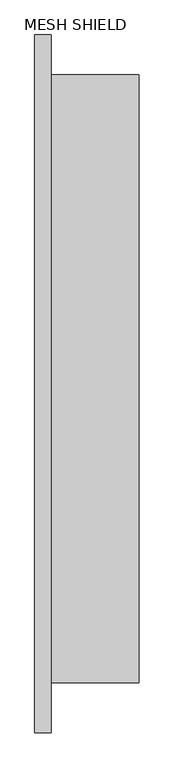
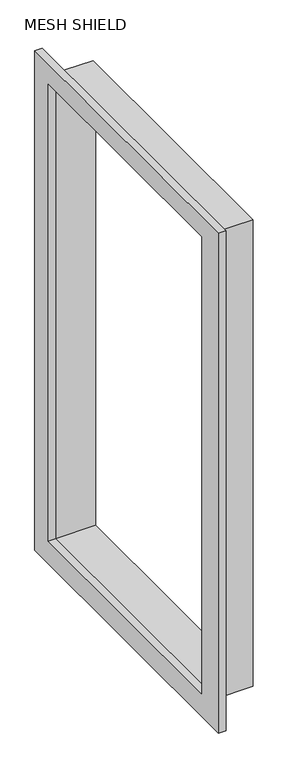
"""IFC4 building model written with IfcOpenShell, lengths in millimetres: proxy geometry, MESH SHIELD."""

from ifc_helpers import new_model, si_unit, frame, origin, place, context, project, spatial, polyline, outline, extrude, source, transform, mapped, element, save


def mesh_shield_9b3ec450(model_context):
    return source(origin(), model_context, "Body", "SweptSolid", [
        extrude(outline(polyline([(-1034.0807946, -71.0696277), (-1034.0807946, 1910.1303723), (159.7192054, 1910.1303723), (159.7192054, -71.0696277), (-1034.0807946, -71.0696277)]), holes=[polyline([(73.931258, 1828.9834146), (-923.1730561, 1828.9834146), (-923.1730561, 18.3036356), (73.931258, 18.3036356), (73.931258, 1828.9834146)])]), frame((-102.9590454, 0.0, 0.0), z_axis=(1.0, 0.0, 0.0), x_axis=(0.0, 1.0, 0.0)), (0.0, 0.0, 1.0), 28.3284075),
        extrude(outline(polyline([(91.3029439, 0.0), (-948.5730561, 0.0), (-948.5730561, 1849.882), (91.3029439, 1849.882), (91.3029439, 0.0)]), holes=[polyline([(73.931258, 1828.9834146), (-923.1730561, 1828.9834146), (-923.1730561, 18.3036356), (73.931258, 18.3036356), (73.931258, 1828.9834146)])]), frame((-74.6306378, 0.0, 0.0), z_axis=(1.0, 0.0, 0.0), x_axis=(0.0, 1.0, 0.0)), (0.0, 0.0, 1.0), 150.114),
    ])


if __name__ == "__main__":
    model = new_model("IFC4")
    model_context = context("Model", 3, world=origin())
    ifc_project = project(units=[si_unit("LENGTHUNIT", "METRE", prefix="MILLI")], contexts=[model_context])
    site = spatial("IfcSite", under=ifc_project)
    building = spatial("IfcBuilding", under=site)
    placement = place(None, origin())
    mesh_shield_shape = mesh_shield_9b3ec450(model_context)
    element("IfcBuildingElementProxy", 1, Name="MESH SHIELD", ObjectType="MESH SHIELD", at=placement, inside=building, context=model_context, shape_type="MappedRepresentation", body=[
        mapped(mesh_shield_shape, transform((0.0, 0.0, 0.0), x_axis=(1.0, 0.0, 0.0), y_axis=(0.0, 1.0, 0.0), z_axis=(0.0, 0.0, 1.0))),
    ])
    save(model, "model.ifc")
